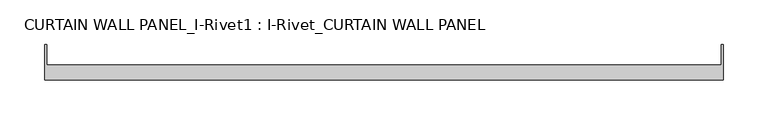
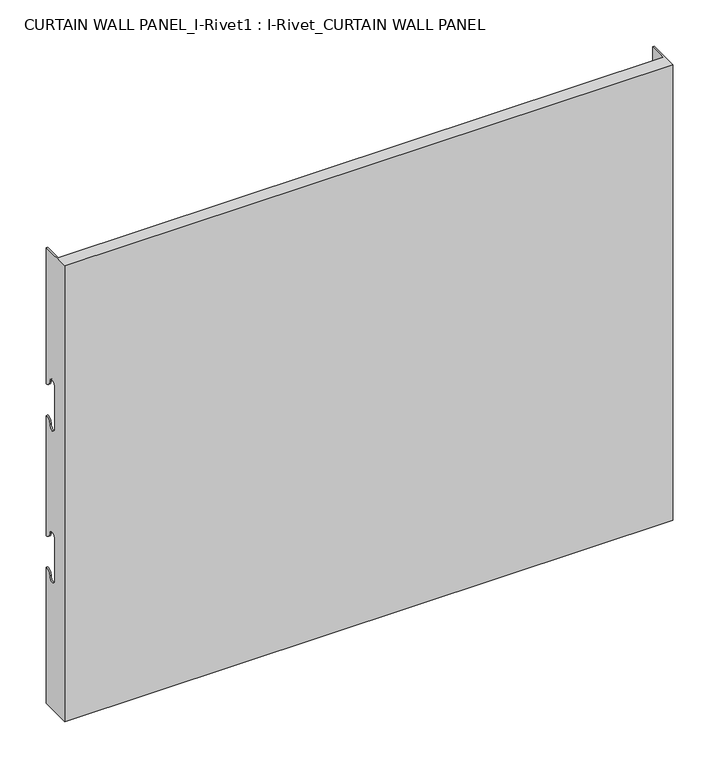
"""IFC4 building model written with IfcOpenShell, lengths in millimetres: plate geometry, CURTAIN WALL PANEL_I-Rivet1 : I-Rivet_CURTAIN WALL PANEL."""

from ifc_helpers import new_model, si_unit, frame, origin, place, context, project, spatial, polyline, circle_curve, source, transform, mapped, element, save
from ifc_brep_helpers import plane_surface, cylinder_surface, revolved_surface, advanced_brep


def curtain_wall_panel_i_rivet1_i_rivet_curtain_wall_panel_17972cde(model_context):
    return source(origin(), model_context, "Body", "AdvancedBrep", [
        advanced_brep(
        [(-378.5, -85.0, 600.0), (378.5, -85.0, 600.0), (378.5, -45.3384103, 600.0), (376.5, -45.3384103, 600.0), (376.5, -68.0, 600.0), (-376.5, -68.0, 600.0), (-376.5, -45.3384103, 600.0), (-378.5, -45.3384103, 600.0), (-378.5, -85.0, 0.0), (-378.5, -45.3384103, 0.0), (-376.5, -45.3384103, 0.0), (-376.5, -68.0, 0.0), (376.5, -68.0, 0.0), (376.5, -45.3384103, 0.0), (378.5, -45.3384103, 0.0), (378.5, -85.0, 0.0), (-378.5, -45.3384103, 421.0), (-378.5, -52.3384103, 428.0), (-378.5, -63.3384103, 428.0), (-378.5, -63.3384103, 372.0), (-378.5, -52.3384103, 372.0), (-378.5, -45.3384103, 379.0), (-378.5, -45.3384103, 221.0), (-378.5, -52.3384103, 228.0), (-378.5, -63.3384103, 228.0), (-378.5, -63.3384103, 172.0), (-378.5, -52.3384103, 172.0), (-378.5, -45.3384103, 179.0), (-376.5, -45.3384103, 179.0), (-376.5, -45.3384103, 379.0), (-376.5, -45.3384103, 221.0), (-376.5, -45.3384103, 421.0), (378.5, -45.3384103, 421.0), (376.5, -45.3384103, 421.0), (376.5, -45.3384103, 179.0), (378.5, -45.3384103, 179.0), (376.5, -45.3384103, 221.0), (376.5, -45.3384103, 379.0), (378.5, -45.3384103, 379.0), (378.5, -45.3384103, 221.0), (378.5, -52.3384103, 172.0), (378.5, -63.3384103, 172.0), (378.5, -63.3384103, 228.0), (378.5, -52.3384103, 228.0), (378.5, -52.3384103, 372.0), (378.5, -63.3384103, 372.0), (378.5, -63.3384103, 428.0), (378.5, -52.3384103, 428.0), (-376.5, -52.3384103, 172.0), (-376.5, -63.3384103, 172.0), (-376.5, -63.3384103, 228.0), (-376.5, -52.3384103, 228.0), (-376.5, -52.3384103, 372.0), (-376.5, -63.3384103, 372.0), (-376.5, -63.3384103, 428.0), (-376.5, -52.3384103, 428.0), (376.5, -52.3384103, 428.0), (376.5, -63.3384103, 428.0), (376.5, -63.3384103, 372.0), (376.5, -52.3384103, 372.0), (376.5, -52.3384103, 228.0), (376.5, -63.3384103, 228.0), (376.5, -63.3384103, 172.0), (376.5, -52.3384103, 172.0)],
        [
            (0, 1),
            (1, 2),
            (2, 3),
            (3, 4),
            (4, 5),
            (5, 6),
            (6, 7),
            (7, 0),
            (8, 9),
            (9, 10),
            (10, 11),
            (11, 12),
            (12, 13),
            (13, 14),
            (14, 15),
            (15, 8),
            (7, 16),
            (16, 17, circle_curve(frame((-378.5, -45.3384103, 428.0), z_axis=(-1.0, 0.0, 0.0), x_axis=(0.0, -1.0, 0.0)), 7.0)),
            (17, 18, circle_curve(frame((-378.5, -57.8384103, 428.0), z_axis=(1.0, 0.0, 0.0), x_axis=(0.0, -1.0, 0.0)), 5.5)),
            (18, 19),
            (19, 20, circle_curve(frame((-378.5, -57.8384103, 372.0), z_axis=(1.0, 0.0, 0.0), x_axis=(0.0, -1.0, 0.0)), 5.5)),
            (20, 21, circle_curve(frame((-378.5, -45.3384103, 372.0), z_axis=(-1.0, 0.0, 0.0), x_axis=(0.0, -1.0, 0.0)), 7.0)),
            (21, 22),
            (22, 23, circle_curve(frame((-378.5, -45.3384103, 228.0), z_axis=(-1.0, 0.0, 0.0), x_axis=(0.0, -1.0, 0.0)), 7.0)),
            (23, 24, circle_curve(frame((-378.5, -57.8384103, 228.0), z_axis=(1.0, 0.0, 0.0), x_axis=(0.0, -1.0, 0.0)), 5.5)),
            (24, 25),
            (25, 26, circle_curve(frame((-378.5, -57.8384103, 172.0), z_axis=(1.0, 0.0, 0.0), x_axis=(0.0, -1.0, 0.0)), 5.5)),
            (26, 27, circle_curve(frame((-378.5, -45.3384103, 172.0), z_axis=(-1.0, 0.0, 0.0), x_axis=(0.0, -1.0, 0.0)), 7.0)),
            (27, 9),
            (8, 0),
            (27, 28),
            (28, 10),
            (21, 29),
            (29, 30),
            (30, 22),
            (6, 31),
            (31, 16),
            (2, 32),
            (32, 33),
            (33, 3),
            (13, 34),
            (34, 35),
            (35, 14),
            (36, 37),
            (37, 38),
            (38, 39),
            (39, 36),
            (1, 15),
            (35, 40, circle_curve(frame((378.5, -45.3384103, 172.0), z_axis=(1.0, 0.0, 0.0), x_axis=(0.0, -1.0, 0.0)), 7.0)),
            (40, 41, circle_curve(frame((378.5, -57.8384103, 172.0), z_axis=(-1.0, 0.0, 0.0), x_axis=(0.0, -1.0, 0.0)), 5.5)),
            (41, 42),
            (42, 43, circle_curve(frame((378.5, -57.8384103, 228.0), z_axis=(-1.0, 0.0, 0.0), x_axis=(0.0, -1.0, 0.0)), 5.5)),
            (43, 39, circle_curve(frame((378.5, -45.3384103, 228.0), z_axis=(1.0, 0.0, 0.0), x_axis=(0.0, -1.0, 0.0)), 7.0)),
            (38, 44, circle_curve(frame((378.5, -45.3384103, 372.0), z_axis=(1.0, 0.0, 0.0), x_axis=(0.0, -1.0, 0.0)), 7.0)),
            (44, 45, circle_curve(frame((378.5, -57.8384103, 372.0), z_axis=(-1.0, 0.0, 0.0), x_axis=(0.0, -1.0, 0.0)), 5.5)),
            (45, 46),
            (46, 47, circle_curve(frame((378.5, -57.8384103, 428.0), z_axis=(-1.0, 0.0, 0.0), x_axis=(0.0, -1.0, 0.0)), 5.5)),
            (47, 32, circle_curve(frame((378.5, -45.3384103, 428.0), z_axis=(1.0, 0.0, 0.0), x_axis=(0.0, -1.0, 0.0)), 7.0)),
            (5, 11),
            (28, 48, circle_curve(frame((-376.5, -45.3384103, 172.0), z_axis=(1.0, 0.0, 0.0), x_axis=(0.0, -1.0, 0.0)), 7.0)),
            (48, 49, circle_curve(frame((-376.5, -57.8384103, 172.0), z_axis=(-1.0, 0.0, 0.0), x_axis=(0.0, -1.0, 0.0)), 5.5)),
            (49, 50),
            (50, 51, circle_curve(frame((-376.5, -57.8384103, 228.0), z_axis=(-1.0, 0.0, 0.0), x_axis=(0.0, -1.0, 0.0)), 5.5)),
            (51, 30, circle_curve(frame((-376.5, -45.3384103, 228.0), z_axis=(1.0, 0.0, 0.0), x_axis=(0.0, -1.0, 0.0)), 7.0)),
            (29, 52, circle_curve(frame((-376.5, -45.3384103, 372.0), z_axis=(1.0, 0.0, 0.0), x_axis=(0.0, -1.0, 0.0)), 7.0)),
            (52, 53, circle_curve(frame((-376.5, -57.8384103, 372.0), z_axis=(-1.0, 0.0, 0.0), x_axis=(0.0, -1.0, 0.0)), 5.5)),
            (53, 54),
            (54, 55, circle_curve(frame((-376.5, -57.8384103, 428.0), z_axis=(-1.0, 0.0, 0.0), x_axis=(0.0, -1.0, 0.0)), 5.5)),
            (55, 31, circle_curve(frame((-376.5, -45.3384103, 428.0), z_axis=(1.0, 0.0, 0.0), x_axis=(0.0, -1.0, 0.0)), 7.0)),
            (33, 56, circle_curve(frame((376.5, -45.3384103, 428.0), z_axis=(-1.0, 0.0, 0.0), x_axis=(0.0, -1.0, 0.0)), 7.0)),
            (56, 57, circle_curve(frame((376.5, -57.8384103, 428.0), z_axis=(1.0, 0.0, 0.0), x_axis=(0.0, -1.0, 0.0)), 5.5)),
            (57, 58),
            (58, 59, circle_curve(frame((376.5, -57.8384103, 372.0), z_axis=(1.0, 0.0, 0.0), x_axis=(0.0, -1.0, 0.0)), 5.5)),
            (59, 37, circle_curve(frame((376.5, -45.3384103, 372.0), z_axis=(-1.0, 0.0, 0.0), x_axis=(0.0, -1.0, 0.0)), 7.0)),
            (36, 60, circle_curve(frame((376.5, -45.3384103, 228.0), z_axis=(-1.0, 0.0, 0.0), x_axis=(0.0, -1.0, 0.0)), 7.0)),
            (60, 61, circle_curve(frame((376.5, -57.8384103, 228.0), z_axis=(1.0, 0.0, 0.0), x_axis=(0.0, -1.0, 0.0)), 5.5)),
            (61, 62),
            (62, 63, circle_curve(frame((376.5, -57.8384103, 172.0), z_axis=(1.0, 0.0, 0.0), x_axis=(0.0, -1.0, 0.0)), 5.5)),
            (63, 34, circle_curve(frame((376.5, -45.3384103, 172.0), z_axis=(-1.0, 0.0, 0.0), x_axis=(0.0, -1.0, 0.0)), 7.0)),
            (12, 4),
            (41, 62),
            (61, 42),
            (49, 25),
            (24, 50),
            (40, 63),
            (48, 26),
            (51, 23),
            (43, 60),
            (18, 54),
            (53, 19),
            (57, 46),
            (45, 58),
            (17, 55),
            (56, 47),
            (59, 44),
            (20, 52),
        ],
        [
            plane_surface(frame((-378.5, -45.3384103, 600.0), z_axis=(0.0, 0.0, 1.0), x_axis=(0.0, 1.0, 0.0))),
            plane_surface(frame((-378.5, -45.3384103, 0.0), z_axis=(0.0, 0.0, -1.0), x_axis=(0.0, -1.0, 0.0))),
            plane_surface(frame((-378.5, -85.0, 600.0), z_axis=(-1.0, 0.0, 0.0), x_axis=(0.0, 0.0, -1.0))),
            plane_surface(frame((-378.5, -45.3384103, 600.0), z_axis=(0.0, 1.0, 0.0), x_axis=(0.0, 0.0, -1.0))),
            plane_surface(frame((376.5, -45.3384103, 600.0), z_axis=(0.0, 1.0, 0.0), x_axis=(0.0, 0.0, -1.0))),
            plane_surface(frame((378.5, -45.3384103, 600.0), z_axis=(1.0, 0.0, 0.0), x_axis=(0.0, 0.0, -1.0))),
            plane_surface(frame((378.5, -85.0, 600.0), z_axis=(0.0, -1.0, 0.0), x_axis=(0.0, 0.0, -1.0))),
            plane_surface(frame((-376.5, -45.3384103, 600.0), z_axis=(1.0, 0.0, 0.0), x_axis=(0.0, 0.0, -1.0))),
            plane_surface(frame((376.5, -68.0, 600.0), z_axis=(-1.0, 0.0, 0.0), x_axis=(0.0, 0.0, -1.0))),
            plane_surface(frame((-377.5, -68.0, 600.0), z_axis=(0.0, 1.0, 0.0), x_axis=(0.0, 0.0, -1.0))),
            plane_surface(frame((-378.5, -63.3384103, 228.0), z_axis=(0.0, 1.0, 0.0), x_axis=(1.0, 0.0, 0.0))),
            revolved_surface(polyline([(376.5, -63.3384103, 172.0), (378.5, -63.3384103, 172.0)]), (-378.5, -57.8384103, 172.0), (-1.0, 0.0, 0.0)),
            revolved_surface(polyline([(-378.5, -63.3384103, 172.0), (-376.5, -63.3384103, 172.0)]), (-378.5, -57.8384103, 172.0), (-1.0, 0.0, 0.0)),
            cylinder_surface(frame((-378.5, -45.3384103, 172.0), z_axis=(1.0, 0.0, 0.0), x_axis=(0.0, -1.0, 0.0)), 7.0),
            cylinder_surface(frame((-378.5, -45.3384103, 228.0), z_axis=(1.0, 0.0, 0.0), x_axis=(0.0, -1.0, 0.0)), 7.0),
            revolved_surface(polyline([(-378.5, -63.3384103, 228.0), (-376.5, -63.3384103, 228.0)]), (-378.5, -57.8384103, 228.0), (-1.0, 0.0, 0.0)),
            revolved_surface(polyline([(376.5, -63.3384103, 228.0), (378.5, -63.3384103, 228.0)]), (-378.5, -57.8384103, 228.0), (-1.0, 0.0, 0.0)),
            plane_surface(frame((378.5, -63.3384103, 372.0), z_axis=(0.0, 1.0, 0.0), x_axis=(-1.0, 0.0, 0.0))),
            revolved_surface(polyline([(-376.5, -63.3384103, 428.0), (-378.5, -63.3384103, 428.0)]), (378.5, -57.8384103, 428.0), (1.0, 0.0, 0.0)),
            revolved_surface(polyline([(378.5, -63.3384103, 428.0), (376.5, -63.3384103, 428.0)]), (378.5, -57.8384103, 428.0), (1.0, 0.0, 0.0)),
            cylinder_surface(frame((378.5, -45.3384103, 428.0), z_axis=(-1.0, 0.0, 0.0), x_axis=(0.0, -1.0, 0.0)), 7.0),
            cylinder_surface(frame((378.5, -45.3384103, 372.0), z_axis=(-1.0, 0.0, 0.0), x_axis=(0.0, -1.0, 0.0)), 7.0),
            revolved_surface(polyline([(378.5, -63.3384103, 372.0), (376.5, -63.3384103, 372.0)]), (378.5, -57.8384103, 372.0), (1.0, 0.0, 0.0)),
            revolved_surface(polyline([(-376.5, -63.3384103, 372.0), (-378.5, -63.3384103, 372.0)]), (378.5, -57.8384103, 372.0), (1.0, 0.0, 0.0)),
        ],
        [
            (0, [[1, 2, 3, 4, 5, 6, 7, 8]]),
            (1, [[9, 10, 11, 12, 13, 14, 15, 16]]),
            (2, [[17, 18, 19, 20, 21, 22, 23, 24, 25, 26, 27, 28, 29, -9, 30, -8]]),
            (3, [[-29, 31, 32, -10]]),
            (3, [[-23, 33, 34, 35]]),
            (3, [[36, 37, -17, -7]]),
            (4, [[38, 39, 40, -3]]),
            (4, [[41, 42, 43, -14]]),
            (4, [[44, 45, 46, 47]]),
            (5, [[48, -15, -43, 49, 50, 51, 52, 53, -46, 54, 55, 56, 57, 58, -38, -2]]),
            (6, [[-30, -16, -48, -1]]),
            (7, [[59, -11, -32, 60, 61, 62, 63, 64, -34, 65, 66, 67, 68, 69, -36, -6]]),
            (8, [[-40, 70, 71, 72, 73, 74, -44, 75, 76, 77, 78, 79, -41, -13, 80, -4]]),
            (9, [[-80, -12, -59, -5]]),
            (10, [[-51, 81, -77, 82]]),
            (10, [[-62, 83, -26, 84]]),
            (11, [[-50, 85, -78, -81]]),
            (12, [[-61, 86, -27, -83]]),
            (13, [[-49, -42, -79, -85]]),
            (13, [[-60, -31, -28, -86]]),
            (14, [[-24, -35, -64, 87]]),
            (14, [[-75, -47, -53, 88]]),
            (15, [[-25, -87, -63, -84]]),
            (16, [[-76, -88, -52, -82]]),
            (17, [[-20, 89, -67, 90]]),
            (17, [[-72, 91, -56, 92]]),
            (18, [[-19, 93, -68, -89]]),
            (19, [[-71, 94, -57, -91]]),
            (20, [[-18, -37, -69, -93]]),
            (20, [[-70, -39, -58, -94]]),
            (21, [[-54, -45, -74, 95]]),
            (21, [[-65, -33, -22, 96]]),
            (22, [[-55, -95, -73, -92]]),
            (23, [[-66, -96, -21, -90]]),
        ],
    ),
    ])


if __name__ == "__main__":
    model = new_model("IFC4")
    model_context = context("Model", 3, world=origin())
    ifc_project = project(units=[si_unit("LENGTHUNIT", "METRE", prefix="MILLI")], contexts=[model_context])
    site = spatial("IfcSite", under=ifc_project)
    building = spatial("IfcBuilding", under=site)
    placement = place(None, origin())
    curtain_wall_panel_i_rivet1_i_rivet_curtain_wall_panel_shape = curtain_wall_panel_i_rivet1_i_rivet_curtain_wall_panel_17972cde(model_context)
    element("IfcPlate", 1, ObjectType="CURTAIN WALL PANEL_I-Rivet1 : I-Rivet_CURTAIN WALL PANEL", at=placement, inside=building, context=model_context, shape_type="MappedRepresentation", body=[
        mapped(curtain_wall_panel_i_rivet1_i_rivet_curtain_wall_panel_shape, transform((0.0, 0.0, 0.0), x_axis=(1.0, 0.0, 0.0), y_axis=(0.0, 1.0, 0.0), z_axis=(0.0, 0.0, 1.0))),
    ])
    save(model, "model.ifc")
